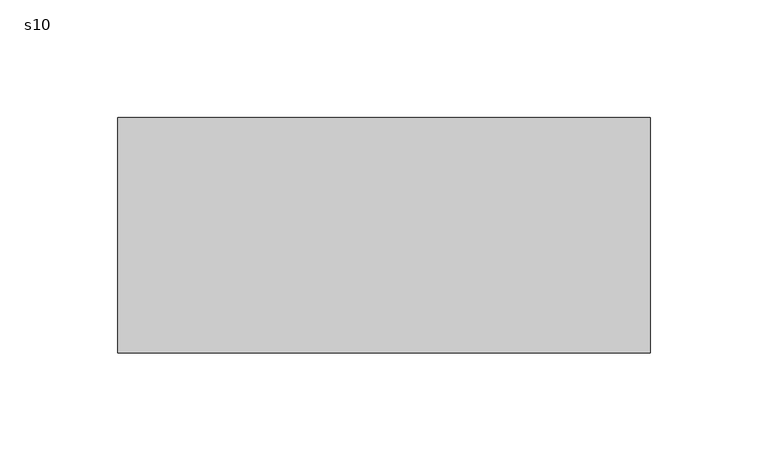
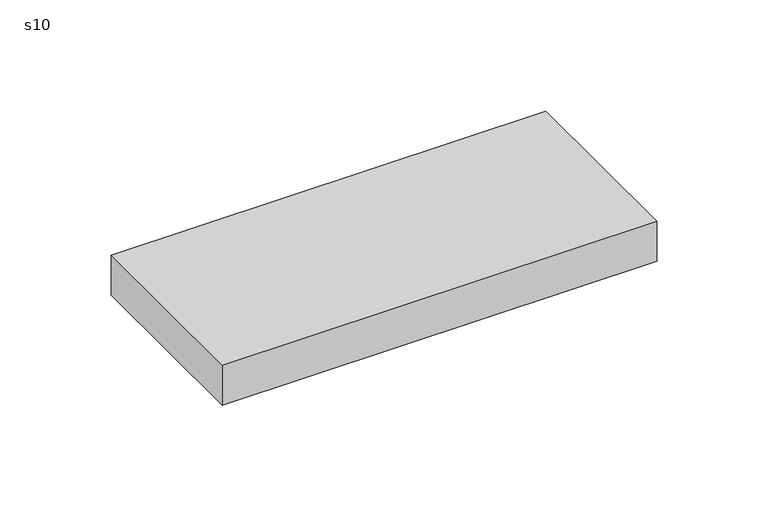
"""IFC4 building model written with IfcOpenShell, lengths in millimetres: proxy geometry, s10."""

from ifc_helpers import new_model, si_unit, origin, origin_with_axes, place, context, project, spatial, polyline, outline, extrude, source, transform, mapped, element, save


def s10_fd9a04e1(model_context):
    return source(origin(), model_context, "Body", "SweptSolid", [
        extrude(outline(polyline([(226.0, 0.0), (0.0, 0.0), (0.0, 100.0), (226.0, 100.0), (226.0, 0.0)])), origin_with_axes(), (0.0, 0.0, 1.0), 22.0),
    ])


if __name__ == "__main__":
    model = new_model("IFC4")
    model_context = context("Model", 3, world=origin())
    ifc_project = project(units=[si_unit("LENGTHUNIT", "METRE", prefix="MILLI")], contexts=[model_context])
    site = spatial("IfcSite", under=ifc_project)
    building = spatial("IfcBuilding", under=site)
    placement = place(None, origin())
    s10_shape = s10_fd9a04e1(model_context)
    element("IfcBuildingElementProxy", 1, Name="s10", ObjectType="s10", at=placement, inside=building, context=model_context, shape_type="MappedRepresentation", body=[
        mapped(s10_shape, transform((0.0, 0.0, 0.0), x_axis=(1.0, 0.0, 0.0), y_axis=(0.0, 1.0, 0.0), z_axis=(0.0, 0.0, 1.0))),
    ])
    save(model, "model.ifc")
